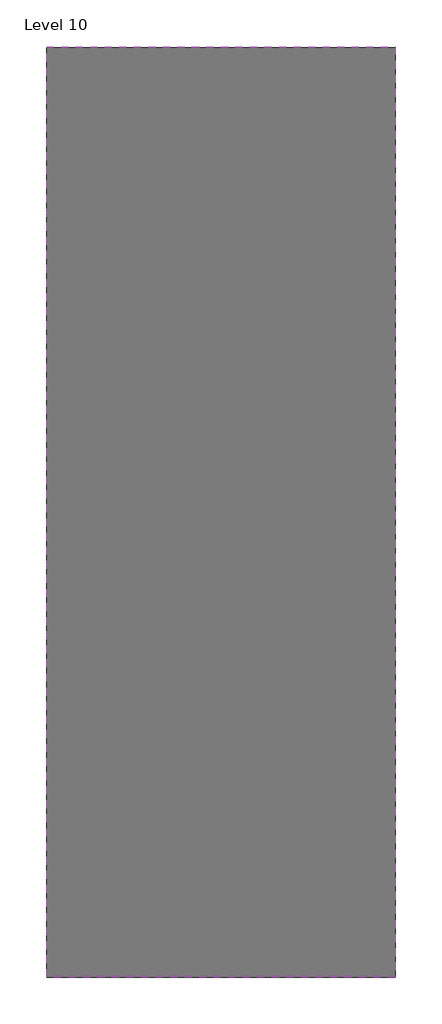
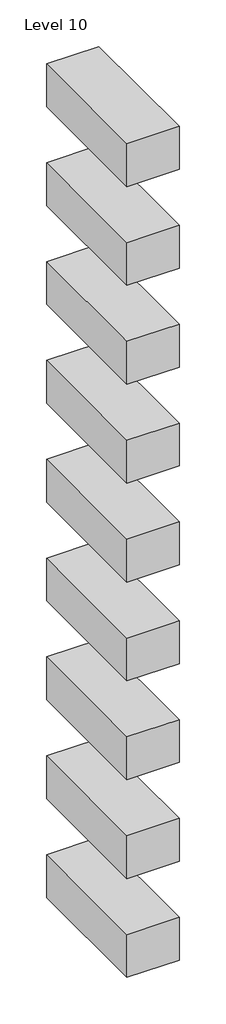
# One storey: 9 proxies.
"""IFC4 building model written with IfcOpenShell, lengths in millimetres."""

import ifcopenshell
import ifcopenshell.guid

model = None  # the IFC model being written
_history = None  # IfcOwnerHistory: only IFC2X3 demands one
_inside = {}  # id of a spatial element -> (the spatial element, [elements in it])
_under = {}  # id of a project, library or spatial element -> (it, [spatial elements below it])
_declared = {}  # id of a project -> (the project, [libraries it declares])
_typed = {}  # id of a type object -> (the type object, [elements of that type])
_made_of = {}  # id of a material, layer set ... -> (it, [elements and type objects made of it])


def new_model(schema):
    """Start an empty IFC model of exactly this schema.

    Asked for "IFC4X3", IfcOpenShell would pick the latest addendum, in which some entities
    have other attributes; the version numbers below select the first issue.
    IFC2X3 requires an IfcOwnerHistory on every rooted entity: one is made here for all.
    """
    global model, _history
    if schema == "IFC4X3":
        model = ifcopenshell.file(schema_version=(4, 3, 0, 0))
    else:
        model = ifcopenshell.file(schema=schema)
    _inside.clear()
    _under.clear()
    _declared.clear()
    _typed.clear()
    _made_of.clear()
    _history = None
    if model.schema == "IFC2X3":
        org = make("IfcOrganization", Name="unknown")
        user = make(
            "IfcPersonAndOrganization",
            ThePerson=make("IfcPerson", FamilyName="unknown"),
            TheOrganization=org,
        )
        app = make(
            "IfcApplication",
            ApplicationDeveloper=org,
            Version="unknown",
            ApplicationFullName="unknown",
            ApplicationIdentifier="unknown",
        )
        _history = make(
            "IfcOwnerHistory",
            OwningUser=user,
            OwningApplication=app,
            ChangeAction="ADDED",
            CreationDate=0,
        )
    return model


def make(cls, **values):
    """One entity of the class cls with the attributes given. An attribute that is None is left unset."""
    return model.create_entity(
        cls, **{name: value for name, value in values.items() if value is not None}
    )


def rooted(cls, **values):
    """An entity with a GlobalId (a new one), such as an element, a storey or a relation."""
    return make(cls, GlobalId=ifcopenshell.guid.new(), OwnerHistory=_history, **values)


def si_unit(unit_type, name, prefix=None):
    """IfcSIUnit, for example si_unit("LENGTHUNIT", "METRE", prefix="MILLI")."""
    return make("IfcSIUnit", UnitType=unit_type, Prefix=prefix, Name=name)


def assignment(units):
    """IfcUnitAssignment: the units of a project."""
    return None if units is None else make("IfcUnitAssignment", Units=units)


def point(xyz):
    """IfcCartesianPoint."""
    return None if xyz is None else make("IfcCartesianPoint", Coordinates=xyz)


def direction(xyz):
    """IfcDirection."""
    return None if xyz is None else make("IfcDirection", DirectionRatios=xyz)


def frame(location, z_axis=None, x_axis=None):
    """IfcAxis2Placement3D, a coordinate frame: its origin and axes. An axis left out is left unset."""
    return make(
        "IfcAxis2Placement3D",
        Location=point(location),
        Axis=direction(z_axis),
        RefDirection=direction(x_axis),
    )


def origin():
    """The frame at (0, 0, 0) with its axes left unset."""
    return frame((0.0, 0.0, 0.0))


def place(relative_to, where):
    """IfcLocalPlacement: puts the frame where relative to a parent placement (None: the world)."""
    return make(
        "IfcLocalPlacement", PlacementRelTo=relative_to, RelativePlacement=where
    )


def context(
    kind, dimensions, precision=None, world=None, true_north=None, identifier=None
):
    """IfcGeometricRepresentationContext, for example the 3D "Model" context."""
    return make(
        "IfcGeometricRepresentationContext",
        ContextIdentifier=identifier,
        ContextType=kind,
        CoordinateSpaceDimension=dimensions,
        Precision=precision,
        WorldCoordinateSystem=world,
        TrueNorth=true_north,
    )


def project(units=None, contexts=None):
    """IfcProject with its units and contexts."""
    return rooted(
        "IfcProject",
        Name="project",
        RepresentationContexts=contexts,
        UnitsInContext=assignment(units),
    )


def spatial(cls, under=None, at=None, **own):
    """A site, building, storey or space (cls), placed at a placement, below another one or the project."""
    s = rooted(cls, ObjectPlacement=at, **own)
    if under is not None:
        _under.setdefault(under.id(), (under, []))[1].append(s)
    return s


def polyline(points):
    """IfcPolyline through the points."""
    return make("IfcPolyline", Points=[point(p) for p in points])


def outline(outer, holes=None, kind="AREA"):
    """IfcArbitraryClosedProfileDef: a profile drawn as a closed curve; with holes, ...WithVoids."""
    if holes is None:
        return make("IfcArbitraryClosedProfileDef", ProfileType=kind, OuterCurve=outer)
    return make(
        "IfcArbitraryProfileDefWithVoids",
        ProfileType=kind,
        OuterCurve=outer,
        InnerCurves=holes,
    )


def extrude(swept, where, along, depth):
    """IfcExtrudedAreaSolid: the profile swept, set in the frame where, extruded along a direction by depth."""
    return make(
        "IfcExtrudedAreaSolid",
        SweptArea=swept,
        Position=where,
        ExtrudedDirection=direction(along),
        Depth=depth,
    )


def shape(context_of_items, identifier, shape_type, items):
    """IfcShapeRepresentation: the items that make up one representation, for example the "Body"."""
    return make(
        "IfcShapeRepresentation",
        ContextOfItems=context_of_items,
        RepresentationIdentifier=identifier,
        RepresentationType=shape_type,
        Items=items,
    )


def source(mapping_origin, context_of_items, identifier, shape_type, items):
    """IfcRepresentationMap: a shape defined once, which mapped items show again and again."""
    return make(
        "IfcRepresentationMap",
        MappingOrigin=mapping_origin,
        MappedRepresentation=shape(context_of_items, identifier, shape_type, items),
    )


def transform(
    local_origin,
    x_axis=None,
    y_axis=None,
    z_axis=None,
    scale=None,
    scale2=None,
    scale3=None,
    uniform=True,
):
    """IfcCartesianTransformationOperator3D, or its non-uniform kind. x_axis, y_axis, z_axis: its Axis1, 2, 3."""
    if uniform:
        return make(
            "IfcCartesianTransformationOperator3D",
            Axis1=direction(x_axis),
            Axis2=direction(y_axis),
            LocalOrigin=point(local_origin),
            Scale=scale,
            Axis3=direction(z_axis),
        )
    return make(
        "IfcCartesianTransformationOperator3DnonUniform",
        Axis1=direction(x_axis),
        Axis2=direction(y_axis),
        LocalOrigin=point(local_origin),
        Scale=scale,
        Axis3=direction(z_axis),
        Scale2=scale2,
        Scale3=scale3,
    )


def mapped(mapping_source, mapping_target):
    """IfcMappedItem: shows the shape of a source again, moved by a transform."""
    return make(
        "IfcMappedItem", MappingSource=mapping_source, MappingTarget=mapping_target
    )


def made_of(thing, what):
    """Note that an element or type object is made of a material, layer set ...; save() writes the relation."""
    if what is not None:
        _made_of.setdefault(what.id(), (what, []))[1].append(thing)
    return thing


def element(
    cls,
    number,
    at=None,
    inside=None,
    cuts=None,
    type_object=None,
    material=None,
    context=None,
    identifier="Body",
    shape_type=None,
    held_by="IfcProductDefinitionShape",
    body=None,
    shapes=None,
    **own,
):
    """One element of the class cls, such as IfcWall. Its Tag is "e" and its number.

    at: its placement. inside: the storey or other place that contains it. cuts: it is an
    opening in that element (IfcRelVoidsElement). A single representation is given by context,
    identifier, shape_type and body (its items); several are given by shapes. held_by: the class
    of the entity that holds the representations. save() writes the other relations.
    """
    e = rooted(cls, Tag="e%d" % number, ObjectPlacement=at, **own)
    if body is not None:
        shapes = [shape(context, identifier, shape_type, body)]
    if shapes is not None:
        e.Representation = make(held_by, Representations=shapes)
    if inside is not None:
        _inside.setdefault(inside.id(), (inside, []))[1].append(e)
    if cuts is not None:
        rooted(
            "IfcRelVoidsElement", RelatingBuildingElement=cuts, RelatedOpeningElement=e
        )
    if type_object is not None:
        _typed.setdefault(type_object.id(), (type_object, []))[1].append(e)
    return made_of(e, material)


def aggregate(whole, parts):
    """IfcRelAggregates: a whole, such as a stair, and the parts it consists of."""
    return rooted("IfcRelAggregates", RelatingObject=whole, RelatedObjects=parts)


def save(model, path):
    """Write the relations noted so far, then the file.

    IfcRelAggregates (storeys below a building ...), IfcRelContainedInSpatialStructure (elements
    in a storey), IfcRelDefinesByType, IfcRelAssociatesMaterial and IfcRelDeclares: one each for
    every whole, place, type object, material and project.
    """
    for whole, parts in _under.values():
        aggregate(whole, parts)
    for where, things in _inside.values():
        rooted(
            "IfcRelContainedInSpatialStructure",
            RelatedElements=things,
            RelatingStructure=where,
        )
    for kind, things in _typed.values():
        rooted("IfcRelDefinesByType", RelatedObjects=things, RelatingType=kind)
    for what, things in _made_of.values():
        rooted("IfcRelAssociatesMaterial", RelatedObjects=things, RelatingMaterial=what)
    for by, libraries in _declared.values():
        rooted("IfcRelDeclares", RelatingContext=by, RelatedDefinitions=libraries)
    model.write(path)


def family1_19b85e43(model_context):
    return source(origin(), model_context, "Body", "SweptSolid", [
        extrude(outline(polyline([(1500.0, 0.0), (0.0, 0.0), (0.0, 4000.0), (1500.0, 4000.0), (1500.0, 0.0)])), frame((0.0, 0.0, 1000.0), z_axis=(0.0, 0.0, 1.0), x_axis=(1.0, 0.0, 0.0)), (0.0, 0.0, 1.0), 1300.0),
    ])


model = new_model("IFC4")

# Units and contexts
model_context = context("Model", 3, world=origin())
ifc_project = project(units=[si_unit("LENGTHUNIT", "METRE", prefix="MILLI")], contexts=[model_context])

# Site, building, storey
site = spatial("IfcSite", under=ifc_project)
building = spatial("IfcBuilding", under=site)
storey = spatial("IfcBuildingStorey", under=building, Name="Level 10", Elevation=4000.0)

# Proxies
placement = place(None, origin())
family1_shape = family1_19b85e43(model_context)
element("IfcBuildingElementProxy", 1, Name="Family1", ObjectType="Family1", at=placement, inside=storey, context=model_context, shape_type="MappedRepresentation", body=[
    mapped(family1_shape, transform((-13632.686118, 20277.8601407, 3000.0), x_axis=(1.0, 0.0, 0.0), y_axis=(0.0, 1.0, 0.0), z_axis=(0.0, 0.0, 1.0))),
])
element("IfcBuildingElementProxy", 2, Name="Family1", ObjectType="Family1", at=placement, inside=storey, context=model_context, shape_type="MappedRepresentation", body=[
    mapped(family1_shape, transform((-13632.686118, 20277.8601407, 6000.0), x_axis=(1.0, 0.0, 0.0), y_axis=(0.0, 1.0, 0.0), z_axis=(0.0, 0.0, 1.0))),
])
element("IfcBuildingElementProxy", 3, Name="Family1", ObjectType="Family1", at=placement, inside=storey, context=model_context, shape_type="MappedRepresentation", body=[
    mapped(family1_shape, transform((-13632.686118, 20277.8601407, 9000.0), x_axis=(1.0, 0.0, 0.0), y_axis=(0.0, 1.0, 0.0), z_axis=(0.0, 0.0, 1.0))),
])
element("IfcBuildingElementProxy", 4, Name="Family1", ObjectType="Family1", at=placement, inside=storey, context=model_context, shape_type="MappedRepresentation", body=[
    mapped(family1_shape, transform((-13632.686118, 20277.8601407, 12000.0), x_axis=(1.0, 0.0, 0.0), y_axis=(0.0, 1.0, 0.0), z_axis=(0.0, 0.0, 1.0))),
])
element("IfcBuildingElementProxy", 5, Name="Family1", ObjectType="Family1", at=placement, inside=storey, context=model_context, shape_type="MappedRepresentation", body=[
    mapped(family1_shape, transform((-13632.686118, 20277.8601407, 15000.0), x_axis=(1.0, 0.0, 0.0), y_axis=(0.0, 1.0, 0.0), z_axis=(0.0, 0.0, 1.0))),
])
element("IfcBuildingElementProxy", 6, Name="Family1", ObjectType="Family1", at=placement, inside=storey, context=model_context, shape_type="MappedRepresentation", body=[
    mapped(family1_shape, transform((-13632.686118, 20277.8601407, 18000.0), x_axis=(1.0, 0.0, 0.0), y_axis=(0.0, 1.0, 0.0), z_axis=(0.0, 0.0, 1.0))),
])
element("IfcBuildingElementProxy", 7, Name="Family1", ObjectType="Family1", at=placement, inside=storey, context=model_context, shape_type="MappedRepresentation", body=[
    mapped(family1_shape, transform((-13632.686118, 20277.8601407, 21000.0), x_axis=(1.0, 0.0, 0.0), y_axis=(0.0, 1.0, 0.0), z_axis=(0.0, 0.0, 1.0))),
])
element("IfcBuildingElementProxy", 8, Name="Family1", ObjectType="Family1", at=placement, inside=storey, context=model_context, shape_type="MappedRepresentation", body=[
    mapped(family1_shape, transform((-13632.686118, 20277.8601407, 24000.0), x_axis=(1.0, 0.0, 0.0), y_axis=(0.0, 1.0, 0.0), z_axis=(0.0, 0.0, 1.0))),
])
element("IfcBuildingElementProxy", 9, Name="Family1", ObjectType="Family1", at=placement, inside=storey, context=model_context, shape_type="MappedRepresentation", body=[
    mapped(family1_shape, transform((-13632.686118, 20277.8601407, 27000.0), x_axis=(1.0, 0.0, 0.0), y_axis=(0.0, 1.0, 0.0), z_axis=(0.0, 0.0, 1.0))),
])

save(model, "model.ifc")
